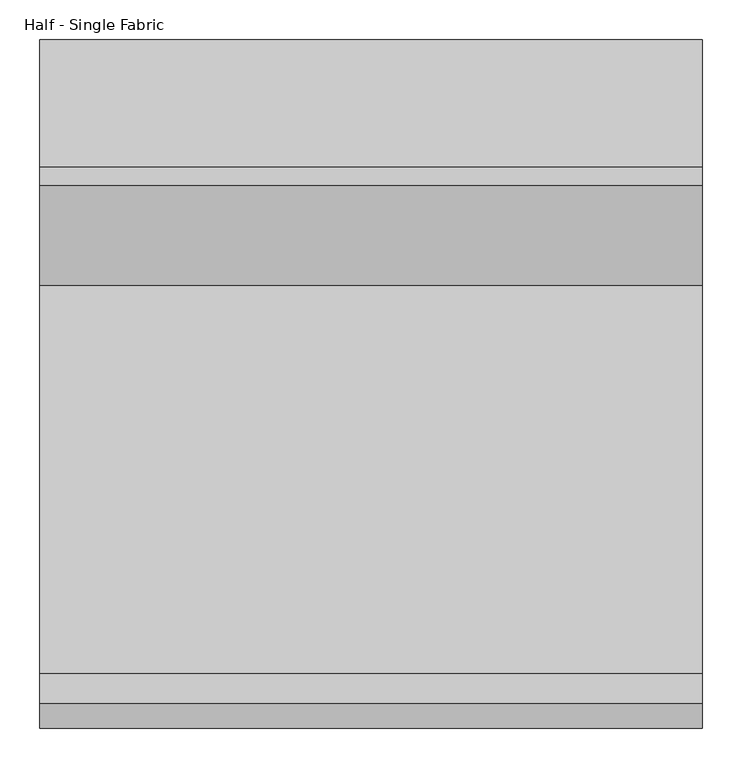
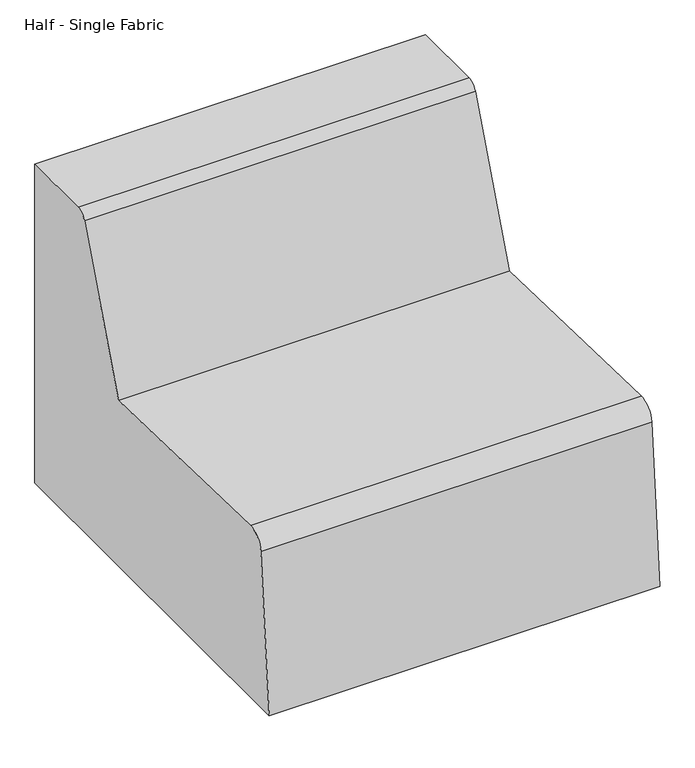
"""IFC4 building model written with IfcOpenShell, lengths in millimetres: furniture geometry, Half - Single Fabric."""

from ifc_helpers import new_model, si_unit, point, frame, frame_2d, origin, origin_with_axes, place, context, project, spatial, polyline, circle_curve, trimmed, segment, composite_curve, outline, extrude, source, transform, mapped, element, save


def half_single_fabric_15d177ff(model_context):
    return source(origin(), model_context, "Body", "SweptSolid", [
        extrude(outline(composite_curve([segment(polyline([(-311.3699478, 413.7764151), (-184.4039974, 744.5341548)]), True, "CONTINUOUS"), segment(trimmed(circle_curve(frame_2d((-160.6910534, 735.431612)), 25.4), [point((-184.4039974, 744.5341548))], [point((-160.6910534, 760.831612))], False, "CARTESIAN"), True, "CONTINUOUS"), segment(polyline([(-160.6910534, 760.831612), (0.0, 760.831612), (0.0, 38.1), (-871.0167469, 38.1), (-839.9943551, 392.6878155)]), True, "CONTINUOUS"), segment(trimmed(circle_curve(frame_2d((-802.0393369, 389.3671841)), 38.1), [point((-839.9943551, 392.6878155))], [point((-800.9755231, 427.4523295))], False, "CARTESIAN"), True, "CONTINUOUS"), segment(polyline([(-800.9755231, 427.4523295), (-311.3699478, 413.7764151)]), True, "CONTINUOUS")], self_intersect=False)), frame((-0.254, 0.0, 0.0), z_axis=(1.0, 0.0, 0.0), x_axis=(0.0, 1.0, 0.0)), (0.0, 0.0, 1.0), 838.2),
        extrude(outline(composite_curve([segment(trimmed(circle_curve(frame_2d((107.696, -114.3)), 25.019), [point((82.677, -114.3))], [point((132.715, -114.3))], False, "CARTESIAN"), True, "CONTINUOUS"), segment(trimmed(circle_curve(frame_2d((107.696, -114.3)), 25.019), [point((132.715, -114.3))], [point((82.677, -114.3))], False, "CARTESIAN"), True, "CONTINUOUS")], self_intersect=False)), origin_with_axes(), (0.0, 0.0, 1.0), 38.1),
        extrude(outline(composite_curve([segment(trimmed(circle_curve(frame_2d((107.696, -756.7168)), 25.019), [point((82.677, -756.7168))], [point((132.715, -756.7168))], False, "CARTESIAN"), True, "CONTINUOUS"), segment(trimmed(circle_curve(frame_2d((107.696, -756.7168)), 25.019), [point((132.715, -756.7168))], [point((82.677, -756.7168))], False, "CARTESIAN"), True, "CONTINUOUS")], self_intersect=False)), origin_with_axes(), (0.0, 0.0, 1.0), 38.1),
        extrude(outline(composite_curve([segment(trimmed(circle_curve(frame_2d((729.488, -756.7168)), 25.019), [point((704.469, -756.7168))], [point((754.507, -756.7168))], False, "CARTESIAN"), True, "CONTINUOUS"), segment(trimmed(circle_curve(frame_2d((729.488, -756.7168)), 25.019), [point((754.507, -756.7168))], [point((704.469, -756.7168))], False, "CARTESIAN"), True, "CONTINUOUS")], self_intersect=False)), origin_with_axes(), (0.0, 0.0, 1.0), 38.1),
        extrude(outline(composite_curve([segment(trimmed(circle_curve(frame_2d((729.488, -114.3)), 25.019), [point((704.469, -114.3))], [point((754.507, -114.3))], False, "CARTESIAN"), True, "CONTINUOUS"), segment(trimmed(circle_curve(frame_2d((729.488, -114.3)), 25.019), [point((754.507, -114.3))], [point((704.469, -114.3))], False, "CARTESIAN"), True, "CONTINUOUS")], self_intersect=False)), origin_with_axes(), (0.0, 0.0, 1.0), 38.1),
    ])


if __name__ == "__main__":
    model = new_model("IFC4")
    model_context = context("Model", 3, world=origin())
    ifc_project = project(units=[si_unit("LENGTHUNIT", "METRE", prefix="MILLI")], contexts=[model_context])
    site = spatial("IfcSite", under=ifc_project)
    building = spatial("IfcBuilding", under=site)
    placement = place(None, origin())
    half_single_fabric_shape = half_single_fabric_15d177ff(model_context)
    element("IfcFurniture", 1, ObjectType="Half - Single Fabric", at=placement, inside=building, context=model_context, shape_type="MappedRepresentation", body=[
        mapped(half_single_fabric_shape, transform((0.0, 0.0, 0.0), x_axis=(1.0, 0.0, 0.0), y_axis=(0.0, 1.0, 0.0), z_axis=(0.0, 0.0, 1.0))),
    ])
    save(model, "model.ifc")
